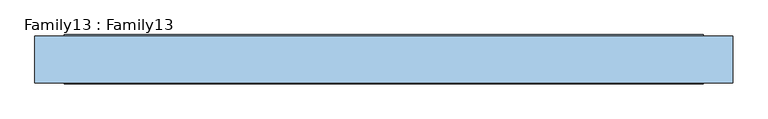
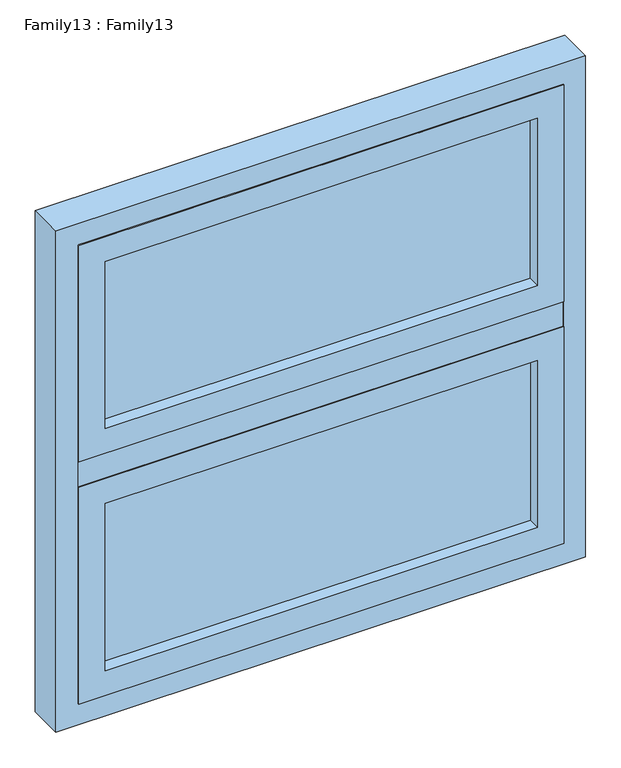
"""IFC4 building model written with IfcOpenShell, lengths in millimetres: window geometry, Family13 : Family13."""

from ifc_helpers import new_model, si_unit, frame, origin, place, context, project, spatial, polyline, outline, extrude, source, transform, mapped, element, save


def family13_family13_25083654(model_context):
    return source(origin(), model_context, "Body", "SweptSolid", [
        extrude(outline(polyline([(486.0, -10.0), (486.0, -14.0), (-486.0, -14.0), (-486.0, -10.0), (486.0, -10.0)])), frame((0.0, 0.0, 909.0), z_axis=(0.0, 0.0, 1.0), x_axis=(1.0, 0.0, 0.0)), (0.0, 0.0, 1.0), 397.0),
        extrude(outline(polyline([(486.0, 14.0), (486.0, 10.0), (-486.0, 10.0), (-486.0, 14.0), (486.0, 14.0)])), frame((0.0, 0.0, 909.0), z_axis=(0.0, 0.0, 1.0), x_axis=(1.0, 0.0, 0.0)), (0.0, 0.0, 1.0), 397.0),
        extrude(outline(polyline([(1365.0, 545.0), (1365.0, -545.0), (850.0, -545.0), (850.0, 545.0), (1365.0, 545.0)]), holes=[polyline([(909.0, 486.0), (909.0, -486.0), (1306.0, -486.0), (1306.0, 486.0), (909.0, 486.0)])]), frame((0.0, -42.0, 0.0), z_axis=(0.0, 1.0, 0.0), x_axis=(0.0, 0.0, 1.0)), (0.0, 0.0, 1.0), 84.0),
        extrude(outline(polyline([(1940.0, 545.0), (1940.0, -545.0), (1425.0, -545.0), (1425.0, 545.0), (1940.0, 545.0)]), holes=[polyline([(1484.0, 486.0), (1484.0, -486.0), (1881.0, -486.0), (1881.0, 486.0), (1484.0, 486.0)])]), frame((0.0, -42.0, 0.0), z_axis=(0.0, 1.0, 0.0), x_axis=(0.0, 0.0, 1.0)), (0.0, 0.0, 1.0), 84.0),
        extrude(outline(polyline([(1990.0, 595.0), (1990.0, -595.0), (800.0, -595.0), (800.0, 595.0), (1990.0, 595.0)]), holes=[polyline([(850.0, 545.0), (850.0, -545.0), (1940.0, -545.0), (1940.0, 545.0), (850.0, 545.0)])]), frame((0.0, -40.0, 0.0), z_axis=(0.0, 1.0, 0.0), x_axis=(0.0, 0.0, 1.0)), (0.0, 0.0, 1.0), 80.0),
        extrude(outline(polyline([(486.0, -10.0), (486.0, -14.0), (-486.0, -14.0), (-486.0, -10.0), (486.0, -10.0)])), frame((0.0, 0.0, 1484.0), z_axis=(0.0, 0.0, 1.0), x_axis=(1.0, 0.0, 0.0)), (0.0, 0.0, 1.0), 397.0),
        extrude(outline(polyline([(486.0, 14.0), (486.0, 10.0), (-486.0, 10.0), (-486.0, 14.0), (486.0, 14.0)])), frame((0.0, 0.0, 1484.0), z_axis=(0.0, 0.0, 1.0), x_axis=(1.0, 0.0, 0.0)), (0.0, 0.0, 1.0), 397.0),
        extrude(outline(polyline([(545.0, -40.0), (-545.0, -40.0), (-545.0, 40.0), (545.0, 40.0), (545.0, -40.0)])), frame((0.0, 0.0, 1365.0), z_axis=(0.0, 0.0, 1.0), x_axis=(1.0, 0.0, 0.0)), (0.0, 0.0, 1.0), 60.0),
    ])


if __name__ == "__main__":
    model = new_model("IFC4")
    model_context = context("Model", 3, world=origin())
    ifc_project = project(units=[si_unit("LENGTHUNIT", "METRE", prefix="MILLI")], contexts=[model_context])
    site = spatial("IfcSite", under=ifc_project)
    building = spatial("IfcBuilding", under=site)
    placement = place(None, origin())
    family13_family13_shape = family13_family13_25083654(model_context)
    element("IfcWindow", 1, ObjectType="Family13 : Family13", at=placement, inside=building, context=model_context, shape_type="MappedRepresentation", body=[
        mapped(family13_family13_shape, transform((0.0, 0.0, 0.0), x_axis=(1.0, 0.0, 0.0), y_axis=(0.0, 1.0, 0.0), z_axis=(0.0, 0.0, 1.0))),
    ])
    save(model, "model.ifc")
